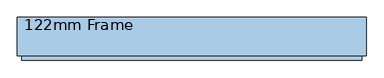
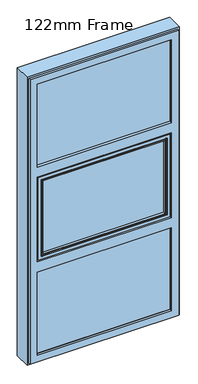
"""IFC4 building model written with IfcOpenShell, lengths in millimetres: window geometry, 122mm Frame."""

from ifc_helpers import new_model, si_unit, frame, origin, place, context, project, spatial, polyline, circle_curve, ellipse_curve, outline, extrude, source, transform, mapped, element, save
from ifc_brep_helpers import plane_surface, cylinder_surface, revolved_surface, advanced_brep


def window_122mm_frame_0fb36afe(model_context):
    return source(origin(), model_context, "Body", "SolidModel", [
        extrude(outline(polyline([(-452.6, -141.0), (-452.6, -93.0), (452.6, -93.0), (452.6, -141.0), (-452.6, -141.0)])), frame((0.0, 0.0, 847.4), z_axis=(0.0, 0.0, 1.0), x_axis=(1.0, 0.0, 0.0)), (0.0, 0.0, 1.0), 599.2666667),
        advanced_brep(
        [(-437.8697056, -91.0, 1432.9363723), (-437.8697056, -91.0, 862.1302944), (-440.9078547, -66.2562613, 859.0921453), (-440.9078547, -66.2562613, 1435.9745214), (-442.892947, -64.5, 857.107053), (-442.892947, -64.5, 1437.9596137), (437.8697056, -91.0, 862.1302944), (440.9078547, -66.2562613, 859.0921453), (-461.5, -91.0, 1456.5666667), (-461.5, -91.0, 838.5), (461.5, -91.0, 838.5), (461.5, -91.0, 1456.5666667), (437.8697056, -91.0, 1432.9363723), (-461.5, -82.0, 1456.5666667), (-461.5, -82.0, 838.5), (461.5, -82.0, 838.5), (-464.0, -82.0, 1459.0666667), (-464.0, -82.0, 836.0), (464.0, -82.0, 836.0), (464.0, -82.0, 1459.0666667), (461.5, -82.0, 1456.5666667), (-464.0, -64.5, 1459.0666667), (-464.0, -64.5, 836.0), (464.0, -64.5, 836.0), (464.0, -64.5, 1459.0666667), (442.892947, -64.5, 857.107053), (442.892947, -64.5, 1437.9596137), (440.9078547, -66.2562613, 1435.9745214)],
        [
            (0, 1),
            (1, 2),
            (2, 3),
            (3, 0),
            (2, 4, ellipse_curve(frame((-442.892947, -66.5, 857.107053), z_axis=(-0.7071067811865475, 0.0, 0.7071067811865475), x_axis=(0.7071067811865474, 0.0, 0.7071067811865476)), 2.8284271, 2.0)),
            (4, 5),
            (5, 3, ellipse_curve(frame((-442.892947, -66.5, 1437.9596137), z_axis=(-0.7071067811865475, 0.0, -0.7071067811865475), x_axis=(-0.7071067811865474, 0.0, 0.7071067811865476)), 2.8284271, 2.0)),
            (1, 6),
            (6, 7),
            (7, 2),
            (8, 9),
            (9, 10),
            (10, 11),
            (11, 8),
            (0, 12),
            (12, 6),
            (13, 14),
            (14, 9),
            (8, 13),
            (14, 15),
            (15, 10),
            (16, 17),
            (17, 18),
            (18, 19),
            (19, 16),
            (13, 20),
            (20, 15),
            (21, 22),
            (22, 17),
            (16, 21),
            (22, 23),
            (23, 18),
            (21, 24),
            (24, 23),
            (4, 25),
            (25, 26),
            (26, 5),
            (7, 25, ellipse_curve(frame((442.892947, -66.5, 857.107053), z_axis=(-0.7071067811865475, 0.0, -0.7071067811865475), x_axis=(-0.7071067811865476, 0.0, 0.7071067811865474)), 2.8284271, 2.0)),
            (12, 27),
            (27, 7),
            (20, 11),
            (24, 19),
            (27, 26, ellipse_curve(frame((442.892947, -66.5, 1437.9596137), z_axis=(0.7071067811865475, 0.0, -0.7071067811865475), x_axis=(-0.7071067811865474, 0.0, -0.7071067811865476)), 2.8284271, 2.0)),
            (3, 27),
        ],
        [
            plane_surface(frame((-440.9078547, -66.2562613, 1435.9745214), z_axis=(0.9925461516413219, 0.12186934340514886, 0.0), x_axis=(0.0, 0.0, -1.0))),
            cylinder_surface(frame((-442.892947, -66.5, 1432.6666667), z_axis=(0.0, 0.0, 1.0), x_axis=(0.0, -1.0, 0.0)), 2.0),
            plane_surface(frame((-440.9078547, -66.2562613, 859.0921453), z_axis=(0.0, 0.12186934340514886, 0.9925461516413219), x_axis=(1.0, 0.0, 0.0))),
            plane_surface(frame((437.8697056, -91.0, 1432.9363723), z_axis=(0.0, -1.0, 0.0), x_axis=(-1.0, 0.0, 0.0))),
            plane_surface(frame((-461.5, -91.0, 1456.5666667), z_axis=(-1.0, 0.0, 0.0), x_axis=(0.0, 0.0, -1.0))),
            plane_surface(frame((-461.5, -91.0, 838.5), z_axis=(0.0, 0.0, -1.0), x_axis=(1.0, 0.0, 0.0))),
            plane_surface(frame((461.5, -82.0, 1456.5666667), z_axis=(0.0, -1.0, 0.0), x_axis=(-1.0, 0.0, 0.0))),
            plane_surface(frame((-464.0, -82.0, 1459.0666667), z_axis=(-1.0, 0.0, 0.0), x_axis=(0.0, 0.0, -1.0))),
            plane_surface(frame((-464.0, -82.0, 836.0), z_axis=(0.0, 0.0, -1.0), x_axis=(1.0, 0.0, 0.0))),
            plane_surface(frame((464.0, -64.5, 1459.0666667), z_axis=(0.0, 1.0, 0.0), x_axis=(-1.0, 0.0, 0.0))),
            cylinder_surface(frame((-437.6, -66.5, 857.107053), z_axis=(-1.0, 0.0, 0.0), x_axis=(0.0, -1.0, 0.0)), 2.0),
            plane_surface(frame((440.9078547, -66.2562613, 859.0921453), z_axis=(-0.9925461516413219, 0.12186934340514886, 0.0), x_axis=(0.0, 0.0, 1.0))),
            plane_surface(frame((461.5, -91.0, 838.5), z_axis=(1.0, 0.0, 0.0), x_axis=(0.0, 0.0, 1.0))),
            plane_surface(frame((464.0, -82.0, 836.0), z_axis=(1.0, 0.0, 0.0), x_axis=(0.0, 0.0, 1.0))),
            cylinder_surface(frame((442.892947, -66.5, 862.4), z_axis=(0.0, 0.0, -1.0), x_axis=(0.0, -1.0, 0.0)), 2.0),
            plane_surface(frame((440.9078547, -66.2562613, 1435.9745214), z_axis=(0.0, 0.12186934340514886, -0.9925461516413219), x_axis=(-1.0, 0.0, 0.0))),
            plane_surface(frame((461.5, -91.0, 1456.5666667), z_axis=(0.0, 0.0, 1.0), x_axis=(-1.0, 0.0, 0.0))),
            plane_surface(frame((464.0, -82.0, 1459.0666667), z_axis=(0.0, 0.0, 1.0), x_axis=(-1.0, 0.0, 0.0))),
            cylinder_surface(frame((437.6, -66.5, 1437.9596137), z_axis=(1.0, 0.0, 0.0), x_axis=(0.0, -1.0, 0.0)), 2.0),
        ],
        [
            (0, [[1, 2, 3, 4]]),
            (1, [[-3, 5, 6, 7]]),
            (2, [[8, 9, 10, -2]]),
            (3, [[11, 12, 13, 14], [-1, 15, 16, -8]]),
            (4, [[17, 18, -11, 19]]),
            (5, [[20, 21, -12, -18]]),
            (6, [[22, 23, 24, 25], [-17, 26, 27, -20]]),
            (7, [[28, 29, -22, 30]]),
            (8, [[31, 32, -23, -29]]),
            (9, [[-28, 33, 34, -31], [-6, 35, 36, 37]]),
            (10, [[-10, 38, -35, -5]]),
            (11, [[-16, 39, 40, -9]]),
            (12, [[-27, 41, -13, -21]]),
            (13, [[-34, 42, -24, -32]]),
            (14, [[-40, 43, -36, -38]]),
            (15, [[-15, -4, 44, -39]]),
            (16, [[-26, -19, -14, -41]]),
            (17, [[-33, -30, -25, -42]]),
            (18, [[-44, -7, -37, -43]]),
        ],
    ),
        advanced_brep(
        [(-488.0, -90.5, 2788.0), (-488.0, -90.5, 2141.3333333), (-488.0, -86.5, 2141.3333333), (-488.0, -86.5, 2788.0), (-488.0, -32.0, 2788.0), (-488.0, -32.0, 812.0), (-488.0, -86.5, 812.0), (-488.0, -86.5, 1458.6666667), (-488.0, -90.5, 1458.6666667), (-488.0, -90.5, 812.0), (-488.0, -154.0, 812.0), (-488.0, -154.0, 2788.0), (-488.0, -90.5, 1482.6666667), (-488.0, -86.5, 1482.6666667), (-488.0, -86.5, 2117.3333333), (-488.0, -90.5, 2117.3333333), (488.0, -154.0, 2788.0), (488.0, -154.0, 812.0), (-441.2576108, -154.0, 858.7423892), (-441.2576108, -154.0, 1435.9242774), (441.2576108, -154.0, 1435.9242774), (441.2576108, -154.0, 858.7423892), (441.2576108, -154.0, 2741.2576108), (441.2576108, -154.0, 2164.0757226), (-441.2576108, -154.0, 2164.0757226), (-441.2576108, -154.0, 2741.2576108), (441.2576108, -154.0, 1505.4090559), (-441.2576108, -154.0, 1505.4090559), (-441.2576108, -154.0, 2094.5909441), (441.2576108, -154.0, 2094.5909441), (488.0, -90.5, 812.0), (-481.0, -90.5, 1458.6666667), (-481.0, -90.5, 819.0), (481.0, -90.5, 819.0), (481.0, -90.5, 1458.6666667), (488.0, -90.5, 1458.6666667), (488.0, -90.5, 2788.0), (488.0, -90.5, 2141.3333333), (481.0, -90.5, 2141.3333333), (481.0, -90.5, 2781.0), (-481.0, -90.5, 2781.0), (-481.0, -90.5, 2141.3333333), (-481.0, -90.5, 2117.3333333), (-481.0, -90.5, 1482.6666667), (481.0, -90.5, 1482.6666667), (481.0, -90.5, 2117.3333333), (488.0, -90.5, 2117.3333333), (488.0, -90.5, 1482.6666667), (-481.0, -86.5, 819.0), (-481.0, -86.5, 1458.6666667), (488.0, -86.5, 812.0), (488.0, -86.5, 1458.6666667), (481.0, -86.5, 1458.6666667), (481.0, -86.5, 819.0), (481.0, -86.5, 2781.0), (481.0, -86.5, 2141.3333333), (488.0, -86.5, 2141.3333333), (488.0, -86.5, 2788.0), (-481.0, -86.5, 2141.3333333), (-481.0, -86.5, 2781.0), (488.0, -86.5, 1482.6666667), (488.0, -86.5, 2117.3333333), (481.0, -86.5, 2117.3333333), (481.0, -86.5, 1482.6666667), (-481.0, -86.5, 1482.6666667), (-481.0, -86.5, 2117.3333333), (488.0, -32.0, 812.0), (488.0, -32.0, 2788.0), (467.0, -32.0, 833.0), (467.0, -32.0, 1458.6666667), (-467.0, -32.0, 1458.6666667), (-467.0, -32.0, 833.0), (-467.0, -32.0, 2767.0), (-467.0, -32.0, 2141.3333333), (467.0, -32.0, 2141.3333333), (467.0, -32.0, 2767.0), (-467.0, -32.0, 1482.6666667), (467.0, -32.0, 1482.6666667), (467.0, -32.0, 2117.3333333), (-467.0, -32.0, 2117.3333333), (-438.0131086, -143.3877115, 861.9868914), (438.0131086, -143.3877115, 861.9868914), (438.0131086, -142.0, 861.9868914), (-438.0131086, -142.0, 861.9868914), (-462.2226568, -142.0, 837.7773432), (-462.2226568, -142.0, 1456.7286793), (462.2226568, -142.0, 1456.7286793), (462.2226568, -142.0, 837.7773432), (438.0131086, -142.0, 1432.2555093), (-438.0131086, -142.0, 1432.2555093), (462.2226568, -142.0, 2762.2226568), (462.2226568, -142.0, 2143.2713207), (-462.2226568, -142.0, 2143.2713207), (-462.2226568, -142.0, 2762.2226568), (-438.0131086, -142.0, 2738.0131086), (-438.0131086, -142.0, 2167.7444907), (438.0131086, -142.0, 2167.7444907), (438.0131086, -142.0, 2738.0131086), (-462.2226568, -142.0, 1484.6046541), (-462.2226568, -142.0, 2115.3953459), (462.2226568, -142.0, 2115.3953459), (462.2226568, -142.0, 1484.6046541), (438.0131086, -142.0, 1509.0778241), (438.0131086, -142.0, 2090.9221759), (-438.0131086, -142.0, 2090.9221759), (-438.0131086, -142.0, 1509.0778241), (-438.0131086, -143.3877115, 1432.6797752), (-438.0131086, -143.3877115, 2738.0131086), (-438.0131086, -143.3877115, 2167.3202248), (-438.0131086, -143.3877115, 2091.3464419), (-438.0131086, -143.3877115, 1508.6535581), (438.0131086, -143.3877115, 1432.6797752), (438.0131086, -143.3877115, 2167.3202248), (438.0131086, -143.3877115, 2738.0131086), (438.0131086, -143.3877115, 1508.6535581), (438.0131086, -143.3877115, 2091.3464419), (455.7805994, -91.0, 844.2194006), (-455.7805994, -91.0, 844.2194006), (455.7805994, -91.0, 1450.4666667), (455.7805994, -91.0, 2755.7805994), (455.7805994, -91.0, 2149.5333333), (455.7805994, -91.0, 2109.1333333), (455.7805994, -91.0, 1490.8666667), (-455.7805994, -91.0, 1450.4666667), (-455.7805994, -91.0, 1490.8666667), (-455.7805994, -91.0, 2109.1333333), (-455.7805994, -91.0, 2149.5333333), (-455.7805994, -91.0, 2755.7805994), (-462.0, -91.0, 838.0), (-462.0, -91.0, 1458.6666667), (462.0, -91.0, 1458.6666667), (462.0, -91.0, 838.0), (462.0, -91.0, 2762.0), (462.0, -91.0, 2141.3333333), (-462.0, -91.0, 2141.3333333), (-462.0, -91.0, 2762.0), (-462.0, -91.0, 1482.6666667), (-462.0, -91.0, 2117.3333333), (462.0, -91.0, 2117.3333333), (462.0, -91.0, 1482.6666667), (462.0, -83.0, 838.0), (-462.0, -83.0, 838.0), (462.0, -83.0, 1458.6666667), (462.0, -83.0, 2762.0), (462.0, -83.0, 2141.3333333), (462.0, -83.0, 2117.3333333), (462.0, -83.0, 1482.6666667), (-462.0, -83.0, 1458.6666667), (-462.0, -83.0, 1482.6666667), (-462.0, -83.0, 2117.3333333), (-462.0, -83.0, 2141.3333333), (-462.0, -83.0, 2762.0), (464.0, -35.0, 836.0), (-464.0, -35.0, 836.0), (-464.0, -35.0, 1458.6666667), (-464.0, -35.0, 2764.0), (-464.0, -35.0, 2141.3333333), (-464.0, -35.0, 2117.3333333), (-464.0, -35.0, 1482.6666667), (464.0, -35.0, 1458.6666667), (464.0, -35.0, 2141.3333333), (464.0, -35.0, 2764.0), (464.0, -35.0, 1482.6666667), (464.0, -35.0, 2117.3333333), (-464.0, -83.0, 1458.6666667), (-464.0, -83.0, 836.0), (-464.0, -83.0, 2764.0), (-464.0, -83.0, 2141.3333333), (-464.0, -83.0, 2117.3333333), (-464.0, -83.0, 1482.6666667), (464.0, -83.0, 836.0), (464.0, -83.0, 1458.6666667), (464.0, -83.0, 2764.0), (464.0, -83.0, 2141.3333333), (464.0, -83.0, 2117.3333333), (464.0, -83.0, 1482.6666667)],
        [
            (0, 1),
            (1, 2),
            (2, 3),
            (3, 4),
            (4, 5),
            (5, 6),
            (6, 7),
            (7, 8),
            (8, 9),
            (9, 10),
            (10, 11),
            (11, 0),
            (12, 13),
            (13, 14),
            (14, 15),
            (15, 12),
            (16, 11),
            (10, 17),
            (17, 16),
            (18, 19),
            (19, 20),
            (20, 21),
            (21, 18),
            (22, 23),
            (23, 24),
            (24, 25),
            (25, 22),
            (26, 27),
            (27, 28),
            (28, 29),
            (29, 26),
            (9, 30),
            (30, 17),
            (8, 31),
            (31, 32),
            (32, 33),
            (33, 34),
            (34, 35),
            (35, 30),
            (36, 37),
            (37, 38),
            (38, 39),
            (39, 40),
            (40, 41),
            (41, 1),
            (0, 36),
            (15, 42),
            (42, 43),
            (43, 12),
            (44, 45),
            (45, 46),
            (46, 47),
            (47, 44),
            (48, 49),
            (49, 7),
            (6, 50),
            (50, 51),
            (51, 52),
            (52, 53),
            (53, 48),
            (54, 55),
            (55, 56),
            (56, 57),
            (57, 3),
            (2, 58),
            (58, 59),
            (59, 54),
            (60, 61),
            (61, 62),
            (62, 63),
            (63, 60),
            (64, 65),
            (65, 14),
            (13, 64),
            (66, 50),
            (5, 66),
            (4, 67),
            (67, 66),
            (68, 69),
            (69, 70),
            (70, 71),
            (71, 68),
            (72, 73),
            (73, 74),
            (74, 75),
            (75, 72),
            (76, 77),
            (77, 78),
            (78, 79),
            (79, 76),
            (35, 51),
            (67, 57),
            (56, 37),
            (36, 16),
            (60, 47),
            (46, 61),
            (80, 81),
            (81, 82),
            (82, 83),
            (83, 80),
            (84, 85),
            (85, 86),
            (86, 87),
            (87, 84),
            (82, 88),
            (88, 89),
            (89, 83),
            (90, 91),
            (91, 92),
            (92, 93),
            (93, 90),
            (94, 95),
            (95, 96),
            (96, 97),
            (97, 94),
            (98, 99),
            (99, 100),
            (100, 101),
            (101, 98),
            (102, 103),
            (103, 104),
            (104, 105),
            (105, 102),
            (89, 106),
            (106, 80),
            (107, 108),
            (108, 95),
            (94, 107),
            (104, 109),
            (109, 110),
            (110, 105),
            (81, 111),
            (111, 88),
            (96, 112),
            (112, 113),
            (113, 97),
            (114, 115),
            (115, 103),
            (102, 114),
            (87, 116),
            (116, 117),
            (117, 84),
            (86, 118),
            (118, 116),
            (119, 120),
            (120, 91),
            (90, 119),
            (100, 121),
            (121, 122),
            (122, 101),
            (117, 123),
            (123, 85),
            (124, 125),
            (125, 99),
            (98, 124),
            (92, 126),
            (126, 127),
            (127, 93),
            (128, 129),
            (129, 130),
            (130, 131),
            (131, 128),
            (118, 123),
            (132, 133),
            (133, 134),
            (134, 135),
            (135, 132),
            (119, 127),
            (126, 120),
            (136, 137),
            (137, 138),
            (138, 139),
            (139, 136),
            (121, 125),
            (124, 122),
            (131, 140),
            (140, 141),
            (141, 128),
            (130, 142),
            (142, 140),
            (143, 144),
            (144, 133),
            (132, 143),
            (138, 145),
            (145, 146),
            (146, 139),
            (141, 147),
            (147, 129),
            (148, 149),
            (149, 137),
            (136, 148),
            (134, 150),
            (150, 151),
            (151, 135),
            (152, 68, ellipse_curve(frame((467.0, -35.0, 833.0), z_axis=(-0.7071067811865475, 0.0, -0.7071067811865475), x_axis=(-0.7071067811865476, 0.0, 0.7071067811865474)), 4.2426407, 3.0)),
            (71, 153, ellipse_curve(frame((-467.0, -35.0, 833.0), z_axis=(0.7071067811865475, 0.0, -0.7071067811865475), x_axis=(-0.7071067811865476, 0.0, -0.7071067811865474)), 4.2426407, 3.0)),
            (153, 152),
            (70, 154, circle_curve(frame((-467.0, -35.0, 1458.6666667), z_axis=(0.0, 0.0, -1.0), x_axis=(0.0, -1.0, 0.0)), 3.0)),
            (154, 153),
            (155, 156),
            (156, 73, circle_curve(frame((-467.0, -35.0, 2141.3333333), z_axis=(0.0, 0.0, 1.0), x_axis=(0.0, -1.0, 0.0)), 3.0)),
            (72, 155, ellipse_curve(frame((-467.0, -35.0, 2767.0), z_axis=(-0.7071067811865475, 0.0, -0.7071067811865475), x_axis=(-0.7071067811865474, 0.0, 0.7071067811865476)), 4.2426407, 3.0)),
            (79, 157, circle_curve(frame((-467.0, -35.0, 2117.3333333), z_axis=(0.0, 0.0, -1.0), x_axis=(0.0, -1.0, 0.0)), 3.0)),
            (157, 158),
            (158, 76, circle_curve(frame((-467.0, -35.0, 1482.6666667), z_axis=(0.0, 0.0, 1.0), x_axis=(0.0, -1.0, 0.0)), 3.0)),
            (152, 159),
            (159, 69, circle_curve(frame((467.0, -35.0, 1458.6666667), z_axis=(0.0, 0.0, -1.0), x_axis=(0.0, -1.0, 0.0)), 3.0)),
            (74, 160, circle_curve(frame((467.0, -35.0, 2141.3333333), z_axis=(0.0, 0.0, 1.0), x_axis=(0.0, -1.0, 0.0)), 3.0)),
            (160, 161),
            (161, 75, ellipse_curve(frame((467.0, -35.0, 2767.0), z_axis=(0.7071067811865475, 0.0, -0.7071067811865475), x_axis=(-0.7071067811865474, 0.0, -0.7071067811865476)), 4.2426407, 3.0)),
            (162, 163),
            (163, 78, circle_curve(frame((467.0, -35.0, 2117.3333333), z_axis=(0.0, 0.0, -1.0), x_axis=(0.0, -1.0, 0.0)), 3.0)),
            (77, 162, circle_curve(frame((467.0, -35.0, 1482.6666667), z_axis=(0.0, 0.0, 1.0), x_axis=(0.0, -1.0, 0.0)), 3.0)),
            (21, 81),
            (80, 18),
            (20, 111),
            (112, 23),
            (22, 113),
            (29, 115),
            (114, 26),
            (106, 19),
            (24, 108),
            (107, 25),
            (109, 28),
            (27, 110),
            (154, 164),
            (164, 165),
            (165, 153),
            (166, 167),
            (167, 156),
            (155, 166),
            (157, 168),
            (168, 169),
            (169, 158),
            (165, 170),
            (170, 152),
            (164, 147),
            (142, 171),
            (171, 170),
            (172, 173),
            (173, 144),
            (143, 151),
            (150, 167),
            (166, 172),
            (168, 149),
            (148, 169),
            (145, 174),
            (174, 175),
            (175, 146),
            (171, 159),
            (160, 173),
            (172, 161),
            (174, 163),
            (162, 175),
            (31, 49),
            (48, 32),
            (58, 41),
            (40, 59),
            (42, 65),
            (64, 43),
            (53, 33),
            (52, 34),
            (38, 55),
            (54, 39),
            (62, 45),
            (44, 63),
            (113, 107),
            (161, 155),
        ],
        [
            plane_surface(frame((-488.0, -154.0, 1435.9242774), z_axis=(-1.0, 0.0, 0.0), x_axis=(0.0, 0.956304755963276, -0.2923717047219502))),
            plane_surface(frame((-488.0, -154.0, 1505.4090559), z_axis=(0.0, -1.0, 0.0), x_axis=(1.0, 0.0, 0.0))),
            plane_surface(frame((-488.0, -154.0, 812.0), z_axis=(0.0, 0.0, -1.0), x_axis=(1.0, 0.0, 0.0))),
            plane_surface(frame((488.0, -90.5, 2788.0), z_axis=(0.0, 1.0, 0.0), x_axis=(-1.0, 0.0, 0.0))),
            plane_surface(frame((481.0, -86.5, 2781.0), z_axis=(0.0, -1.0, 0.0), x_axis=(-1.0, 0.0, 0.0))),
            plane_surface(frame((-488.0, -86.5, 812.0), z_axis=(0.0, 0.0, -1.0), x_axis=(1.0, 0.0, 0.0))),
            plane_surface(frame((-488.0, -32.0, 1458.6666667), z_axis=(0.0, 1.0, 0.0), x_axis=(1.0, 0.0, 0.0))),
            plane_surface(frame((488.0, -154.0, 1435.9242774), z_axis=(1.0, 0.0, 0.0), x_axis=(0.0, -0.956304755963276, 0.2923717047219502))),
            plane_surface(frame((-438.0131086, -142.0, 861.9868914), z_axis=(0.0, 0.0, 1.0), x_axis=(1.0, 0.0, 0.0))),
            plane_surface(frame((-488.0, -142.0, 1432.2555093), z_axis=(0.0, 1.0, 0.0), x_axis=(1.0, 0.0, 0.0))),
            plane_surface(frame((-438.0131086, -142.0, 2738.0131086), z_axis=(1.0, 0.0, 0.0), x_axis=(0.0, 0.0, -1.0))),
            plane_surface(frame((438.0131086, -142.0, 861.9868914), z_axis=(-1.0, 0.0, 0.0), x_axis=(0.0, 0.0, 1.0))),
            plane_surface(frame((-455.7805994, -91.0, 844.2194006), z_axis=(0.0, -0.1253190461918616, 0.992116493493361), x_axis=(1.0, 0.0, 0.0))),
            plane_surface(frame((455.7805994, -91.0, 844.2194006), z_axis=(-0.992116493493361, -0.1253190461918616, 0.0), x_axis=(0.0, 0.0, 1.0))),
            plane_surface(frame((-455.7805994, -91.0, 2755.7805994), z_axis=(0.992116493493361, -0.1253190461918616, 0.0), x_axis=(0.0, 0.0, -1.0))),
            plane_surface(frame((-488.0, -91.0, 1450.4666667), z_axis=(0.0, 1.0, 0.0), x_axis=(1.0, 0.0, 0.0))),
            plane_surface(frame((-462.0, -83.0, 838.0), z_axis=(0.0, 0.0, 1.0), x_axis=(1.0, 0.0, 0.0))),
            plane_surface(frame((462.0, -83.0, 838.0), z_axis=(-1.0, 0.0, 0.0), x_axis=(0.0, 0.0, 1.0))),
            plane_surface(frame((-462.0, -83.0, 2762.0), z_axis=(1.0, 0.0, 0.0), x_axis=(0.0, 0.0, -1.0))),
            cylinder_surface(frame((-488.0, -35.0, 833.0), z_axis=(-1.0, 0.0, 0.0), x_axis=(0.0, -1.0, 0.0)), 3.0),
            cylinder_surface(frame((-467.0, -35.0, 2788.0), z_axis=(0.0, 0.0, 1.0), x_axis=(0.0, -1.0, 0.0)), 3.0),
            cylinder_surface(frame((467.0, -35.0, 812.0), z_axis=(0.0, 0.0, -1.0), x_axis=(0.0, -1.0, 0.0)), 3.0),
            plane_surface(frame((-438.0131086, -143.3877115, 861.9868914), z_axis=(0.0, -0.29237170472308205, 0.95630475596293), x_axis=(1.0, 0.0, 0.0))),
            plane_surface(frame((438.0131086, -143.3877115, 861.9868914), z_axis=(-0.95630475596293, -0.29237170472308205, 0.0), x_axis=(0.0, 0.0, 1.0))),
            plane_surface(frame((-438.0131086, -143.3877115, 2738.0131086), z_axis=(0.95630475596293, -0.29237170472308205, 0.0), x_axis=(0.0, 0.0, -1.0))),
            plane_surface(frame((-464.0, -35.0, 2764.0), z_axis=(1.0, 0.0, 0.0), x_axis=(0.0, 0.0, -1.0))),
            plane_surface(frame((-464.0, -35.0, 836.0), z_axis=(0.0, 0.0, 1.0), x_axis=(1.0, 0.0, 0.0))),
            plane_surface(frame((464.0, -83.0, 2764.0), z_axis=(0.0, 1.0, 0.0), x_axis=(-1.0, 0.0, 0.0))),
            plane_surface(frame((464.0, -35.0, 836.0), z_axis=(-1.0, 0.0, 0.0), x_axis=(0.0, 0.0, 1.0))),
            plane_surface(frame((-481.0, -90.5, 2781.0), z_axis=(-1.0, 0.0, 0.0), x_axis=(0.0, 0.0, -1.0))),
            plane_surface(frame((-481.0, -90.5, 819.0), z_axis=(0.0, 0.0, -1.0), x_axis=(1.0, 0.0, 0.0))),
            plane_surface(frame((481.0, -90.5, 819.0), z_axis=(1.0, 0.0, 0.0), x_axis=(0.0, 0.0, 1.0))),
            plane_surface(frame((488.0, -154.0, 2788.0), z_axis=(0.0, 0.0, 1.0), x_axis=(-1.0, 0.0, 0.0))),
            plane_surface(frame((488.0, -86.5, 2788.0), z_axis=(0.0, 0.0, 1.0), x_axis=(-1.0, 0.0, 0.0))),
            plane_surface(frame((438.0131086, -142.0, 2738.0131086), z_axis=(0.0, 0.0, -1.0), x_axis=(-1.0, 0.0, 0.0))),
            plane_surface(frame((455.7805994, -91.0, 2755.7805994), z_axis=(0.0, -0.1253190461918616, -0.992116493493361), x_axis=(-1.0, 0.0, 0.0))),
            plane_surface(frame((462.0, -83.0, 2762.0), z_axis=(0.0, 0.0, -1.0), x_axis=(-1.0, 0.0, 0.0))),
            cylinder_surface(frame((488.0, -35.0, 2767.0), z_axis=(1.0, 0.0, 0.0), x_axis=(0.0, -1.0, 0.0)), 3.0),
            plane_surface(frame((438.0131086, -143.3877115, 2738.0131086), z_axis=(0.0, -0.29237170472308205, -0.95630475596293), x_axis=(-1.0, 0.0, 0.0))),
            plane_surface(frame((464.0, -35.0, 2764.0), z_axis=(0.0, 0.0, -1.0), x_axis=(-1.0, 0.0, 0.0))),
            plane_surface(frame((481.0, -90.5, 2781.0), z_axis=(0.0, 0.0, 1.0), x_axis=(-1.0, 0.0, 0.0))),
            plane_surface(frame((-488.0, -154.0, 1435.9242774), z_axis=(0.0, -0.2923717047219502, -0.956304755963276), x_axis=(1.0, 0.0, 0.0))),
            plane_surface(frame((-488.0, -142.0, 1456.7286793), z_axis=(0.0, -0.12186934340530745, -0.9925461516413024), x_axis=(1.0, 0.0, 0.0))),
            plane_surface(frame((-488.0, -91.0, 1458.6666667), z_axis=(0.0, 0.0, -1.0), x_axis=(1.0, 0.0, 0.0))),
            plane_surface(frame((-488.0, -32.0, 1482.6666667), z_axis=(0.0, 0.0, 1.0), x_axis=(1.0, 0.0, 0.0))),
            plane_surface(frame((-488.0, -91.0, 1490.8666667), z_axis=(0.0, -0.12186934340536838, 0.992546151641295), x_axis=(1.0, 0.0, 0.0))),
            plane_surface(frame((-488.0, -142.0, 1509.0778241), z_axis=(0.0, -0.29237170472196145, 0.9563047559632726), x_axis=(1.0, 0.0, 0.0))),
            plane_surface(frame((-488.0, -154.0, 2094.5909441), z_axis=(0.0, -0.29237170471972357, -0.9563047559639568), x_axis=(1.0, 0.0, 0.0))),
            plane_surface(frame((-488.0, -142.0, 2115.3953459), z_axis=(0.0, -0.12186934340533068, -0.9925461516412996), x_axis=(1.0, 0.0, 0.0))),
            plane_surface(frame((-488.0, -91.0, 2117.3333333), z_axis=(0.0, 0.0, -1.0), x_axis=(1.0, 0.0, 0.0))),
            plane_surface(frame((-488.0, -32.0, 2141.3333333), z_axis=(0.0, 0.0, 1.0), x_axis=(1.0, 0.0, 0.0))),
            plane_surface(frame((-488.0, -91.0, 2149.5333333), z_axis=(0.0, -0.12186934340548272, 0.9925461516412809), x_axis=(1.0, 0.0, 0.0))),
            plane_surface(frame((-488.0, -142.0, 2167.7444907), z_axis=(0.0, -0.29237170471975826, 0.9563047559639462), x_axis=(1.0, 0.0, 0.0))),
        ],
        [
            (0, [[1, 2, 3, 4, 5, 6, 7, 8, 9, 10, 11, 12], [13, 14, 15, 16]]),
            (1, [[17, -11, 18, 19], [20, 21, 22, 23], [24, 25, 26, 27], [28, 29, 30, 31]]),
            (2, [[32, 33, -18, -10]]),
            (3, [[-9, 34, 35, 36, 37, 38, 39, -32]]),
            (3, [[40, 41, 42, 43, 44, 45, -1, 46]]),
            (3, [[-16, 47, 48, 49]]),
            (3, [[50, 51, 52, 53]]),
            (4, [[54, 55, -7, 56, 57, 58, 59, 60]]),
            (4, [[61, 62, 63, 64, -3, 65, 66, 67]]),
            (4, [[68, 69, 70, 71]]),
            (4, [[72, 73, -14, 74]]),
            (5, [[75, -56, -6, 76]]),
            (6, [[77, 78, -76, -5], [79, 80, 81, 82], [83, 84, 85, 86], [87, 88, 89, 90]]),
            (7, [[-39, 91, -57, -75, -78, 92, -63, 93, -40, 94, -19, -33], [95, -52, 96, -68]]),
            (8, [[97, 98, 99, 100]]),
            (9, [[101, 102, 103, 104], [105, 106, 107, -99]]),
            (9, [[108, 109, 110, 111], [112, 113, 114, 115]]),
            (9, [[116, 117, 118, 119], [120, 121, 122, 123]]),
            (10, [[-107, 124, 125, -100]]),
            (10, [[126, 127, -112, 128]]),
            (10, [[-122, 129, 130, 131]]),
            (11, [[132, 133, -105, -98]]),
            (11, [[-114, 134, 135, 136]]),
            (11, [[137, 138, -120, 139]]),
            (12, [[140, 141, 142, -104]]),
            (13, [[-103, 143, 144, -140]]),
            (13, [[145, 146, -108, 147]]),
            (13, [[148, 149, 150, -118]]),
            (14, [[151, 152, -101, -142]]),
            (14, [[153, 154, -116, 155]]),
            (14, [[156, 157, 158, -110]]),
            (15, [[159, 160, 161, 162], [-144, 163, -151, -141]]),
            (15, [[164, 165, 166, 167], [168, -157, 169, -145]]),
            (15, [[170, 171, 172, 173], [-149, 174, -153, 175]]),
            (16, [[-162, 176, 177, 178]]),
            (17, [[-161, 179, 180, -176]]),
            (17, [[181, 182, -164, 183]]),
            (17, [[184, 185, 186, -172]]),
            (18, [[187, 188, -159, -178]]),
            (18, [[189, 190, -170, 191]]),
            (18, [[192, 193, 194, -166]]),
            (19, [[195, -82, 196, 197]]),
            (20, [[-81, 198, 199, -196]]),
            (20, [[200, 201, -83, 202]]),
            (20, [[-90, 203, 204, 205]]),
            (21, [[206, 207, -79, -195]]),
            (21, [[-85, 208, 209, 210]]),
            (21, [[211, 212, -88, 213]]),
            (22, [[-23, 214, -97, 215]]),
            (23, [[-22, 216, -132, -214]]),
            (23, [[-135, 217, -24, 218]]),
            (23, [[-31, 219, -137, 220]]),
            (24, [[-125, 221, -20, -215]]),
            (24, [[-26, 222, -126, 223]]),
            (24, [[-130, 224, -29, 225]]),
            (25, [[-199, 226, 227, 228]]),
            (25, [[229, 230, -200, 231]]),
            (25, [[-204, 232, 233, 234]]),
            (26, [[235, 236, -197, -228]]),
            (27, [[-227, 237, -187, -177, -180, 238, 239, -235]]),
            (27, [[240, 241, -181, 242, -193, 243, -229, 244]]),
            (27, [[-233, 245, -189, 246]]),
            (27, [[-185, 247, 248, 249]]),
            (28, [[-239, 250, -206, -236]]),
            (28, [[-209, 251, -240, 252]]),
            (28, [[-248, 253, -211, 254]]),
            (29, [[-35, 255, -54, 256]]),
            (29, [[-66, 257, -44, 258]]),
            (29, [[-48, 259, -72, 260]]),
            (30, [[-60, 261, -36, -256]]),
            (31, [[-59, 262, -37, -261]]),
            (31, [[-42, 263, -61, 264]]),
            (31, [[-70, 265, -50, 266]]),
            (32, [[-17, -94, -46, -12]]),
            (33, [[-4, -64, -92, -77]]),
            (34, [[-115, -136, 267, -128]]),
            (35, [[-158, -168, -147, -111]]),
            (36, [[-242, -183, -167, -194]]),
            (37, [[-202, -86, -210, 268]]),
            (38, [[-267, -218, -27, -223]]),
            (39, [[-268, -252, -244, -231]]),
            (40, [[-43, -264, -67, -258]]),
            (41, [[-221, -124, -106, -133, -216, -21]]),
            (42, [[-143, -102, -152, -163]]),
            (43, [[-55, -255, -34, -8]]),
            (43, [[-38, -262, -58, -91]]),
            (43, [[-207, -250, -238, -179, -160, -188, -237, -226, -198, -80]]),
            (44, [[-49, -260, -74, -13]]),
            (44, [[-71, -266, -53, -95]]),
            (44, [[-205, -234, -246, -191, -173, -186, -249, -254, -213, -87]]),
            (45, [[-155, -119, -150, -175]]),
            (46, [[-131, -225, -28, -220, -139, -123]]),
            (47, [[-224, -129, -121, -138, -219, -30]]),
            (48, [[-154, -174, -148, -117]]),
            (49, [[-51, -265, -69, -96]]),
            (49, [[-73, -259, -47, -15]]),
            (49, [[-212, -253, -247, -184, -171, -190, -245, -232, -203, -89]]),
            (50, [[-45, -257, -65, -2]]),
            (50, [[-62, -263, -41, -93]]),
            (50, [[-201, -230, -243, -192, -165, -182, -241, -251, -208, -84]]),
            (51, [[-146, -169, -156, -109]]),
            (52, [[-217, -134, -113, -127, -222, -25]]),
        ],
    ),
        extrude(outline(polyline([(2800.0, -500.0), (800.0, -500.0), (800.0, 500.0), (2800.0, 500.0), (2800.0, -500.0)]), holes=[polyline([(2788.0, 488.0), (812.0, 488.0), (812.0, -488.0), (2788.0, -488.0), (2788.0, 488.0)])]), frame((0.0, -141.0, 0.0), z_axis=(0.0, 1.0, 0.0), x_axis=(0.0, 0.0, 1.0)), (0.0, 0.0, 1.0), 109.0),
        extrude(outline(polyline([(-452.6, -141.0), (-452.6, -93.0), (452.6, -93.0), (452.6, -141.0), (-452.6, -141.0)])), frame((0.0, 0.0, 1494.6666667), z_axis=(0.0, 0.0, 1.0), x_axis=(1.0, 0.0, 0.0)), (0.0, 0.0, 1.0), 610.6666667),
        advanced_brep(
        [(-431.9998467, -148.4070391, 2085.73318), (-431.9998467, -148.4070391, 1514.26682), (-431.9998467, -153.0, 1514.26682), (-431.9998467, -153.0, 2085.73318), (-437.2739389, -139.5531262, 2091.0072722), (-437.2739389, -139.5531262, 1508.9927278), (-439.1133955, -121.0, 2092.8467289), (-439.1133955, -121.0, 1507.1532711), (-439.1133955, -139.5531262, 1507.1532711), (-439.1133955, -139.5531262, 2092.8467289), (-449.1133955, -88.5, 2102.8467289), (-449.1133955, -88.5, 1497.1532711), (-449.1133955, -121.0, 1497.1532711), (-449.1133955, -121.0, 2102.8467289), (-459.8977, -83.5, 2113.6310333), (-459.8977, -83.5, 1486.3689667), (-459.8977, -88.5, 1486.3689667), (-459.8977, -88.5, 2113.6310333), (-453.1, -78.0, 2106.8333333), (-453.1, -78.0, 1493.1666667), (-453.1, -83.5, 1493.1666667), (-453.1, -83.5, 2106.8333333), (-395.6003067, -88.8934531, 2049.33364), (-395.6003067, -88.8934531, 1550.66636), (-397.9157816, -78.0, 1548.3508851), (-397.9157816, -78.0, 2051.6491149), (-395.6003067, -93.0, 2049.33364), (-395.6003067, -93.0, 1550.66636), (-409.6, -141.0, 2063.3333333), (-409.6, -141.0, 1536.6666667), (-409.6, -93.0, 1536.6666667), (-409.6, -93.0, 2063.3333333), (-398.8566168, -153.0, 2052.5899501), (-398.8566168, -153.0, 1547.4100499), (-395.1878486, -141.0, 1551.0788181), (-395.1878486, -141.0, 2048.9211819), (-406.9339425, -152.25, 2060.6672758), (-406.9339425, -152.25, 1539.3327242), (-405.6349044, -153.0, 1540.6317623), (-405.6349044, -153.0, 2059.3682377), (-411.2640695, -152.25, 2064.9974028), (-411.2640695, -152.25, 1535.0025972), (-412.5631076, -153.0, 2066.2964409), (-412.5631076, -153.0, 1533.7035591), (431.9998467, -148.4070391, 1514.26682), (431.9998467, -153.0, 1514.26682), (437.2739389, -139.5531262, 1508.9927278), (439.1133955, -121.0, 1507.1532711), (439.1133955, -139.5531262, 1507.1532711), (449.1133955, -88.5, 1497.1532711), (449.1133955, -121.0, 1497.1532711), (459.8976999, -83.5, 1486.3689667), (459.8976999, -88.5, 1486.3689667), (453.1, -78.0, 1493.1666667), (453.1, -83.5, 1493.1666667), (395.6003067, -88.8934531, 1550.66636), (397.9157816, -78.0, 1548.3508851), (395.6003067, -93.0, 1550.66636), (409.6, -141.0, 1536.6666667), (409.6, -93.0, 1536.6666667), (398.8566168, -153.0, 1547.4100499), (395.1878486, -141.0, 1551.0788181), (406.9339425, -152.25, 1539.3327242), (405.6349044, -153.0, 1540.6317623), (411.2640695, -152.25, 1535.0025972), (412.5631076, -153.0, 1533.7035591), (431.9998467, -148.4070391, 2085.73318), (431.9998467, -153.0, 2085.73318), (437.2739389, -139.5531262, 2091.0072722), (439.1133955, -121.0, 2092.8467289), (439.1133955, -139.5531262, 2092.8467289), (449.1133955, -88.5, 2102.8467289), (449.1133955, -121.0, 2102.8467289), (459.8976999, -83.5, 2113.6310333), (459.8976999, -88.5, 2113.6310333), (453.1, -78.0, 2106.8333333), (453.1, -83.5, 2106.8333333), (395.6003067, -88.8934531, 2049.33364), (397.9157816, -78.0, 2051.6491149), (395.6003067, -93.0, 2049.33364), (409.6, -141.0, 2063.3333333), (409.6, -93.0, 2063.3333333), (398.8566168, -153.0, 2052.5899501), (395.1878486, -141.0, 2048.9211819), (406.9339425, -152.25, 2060.6672758), (405.6349044, -153.0, 2059.3682377), (411.2640695, -152.25, 2064.9974028), (412.5631076, -153.0, 2066.2964409)],
        [
            (0, 1),
            (1, 2),
            (2, 3),
            (3, 0),
            (4, 5),
            (5, 1),
            (0, 4),
            (6, 7),
            (7, 8),
            (8, 9),
            (9, 6),
            (10, 11),
            (11, 12),
            (12, 13),
            (13, 10),
            (14, 15),
            (15, 16),
            (16, 17),
            (17, 14),
            (18, 19),
            (19, 20),
            (20, 21),
            (21, 18),
            (22, 23),
            (23, 24),
            (24, 25),
            (25, 22),
            (26, 27),
            (27, 23),
            (22, 26),
            (28, 29),
            (29, 30),
            (30, 31),
            (31, 28),
            (32, 33),
            (33, 34),
            (34, 35),
            (35, 32),
            (36, 37),
            (37, 38, ellipse_curve(frame((-405.6349044, -151.5, 1540.6317623), z_axis=(-0.7071067811865475, 0.0, 0.7071067811865475), x_axis=(0.7071067811865474, 0.0, 0.7071067811865476)), 2.1213203, 1.5)),
            (38, 39),
            (39, 36, ellipse_curve(frame((-405.6349044, -151.5, 2059.3682377), z_axis=(-0.7071067811865475, 0.0, -0.7071067811865475), x_axis=(-0.7071067811865474, 0.0, 0.7071067811865476)), 2.1213203, 1.5)),
            (40, 41),
            (41, 37, ellipse_curve(frame((-409.099006, -153.5, 1537.1676607), z_axis=(0.7071067811865475, 0.0, -0.7071067811865475), x_axis=(-0.7071067811865474, 0.0, -0.7071067811865476)), 3.5355339, 2.5)),
            (36, 40, ellipse_curve(frame((-409.099006, -153.5, 2062.8323393), z_axis=(0.7071067811865475, 0.0, 0.7071067811865475), x_axis=(0.7071067811865474, 0.0, -0.7071067811865476)), 3.5355339, 2.5)),
            (42, 43),
            (43, 41, ellipse_curve(frame((-412.5631076, -151.5, 1533.7035591), z_axis=(-0.7071067811865475, 0.0, 0.7071067811865475), x_axis=(0.7071067811865474, 0.0, 0.7071067811865476)), 2.1213203, 1.5)),
            (40, 42, ellipse_curve(frame((-412.5631076, -151.5, 2066.2964409), z_axis=(-0.7071067811865475, 0.0, -0.7071067811865475), x_axis=(-0.7071067811865474, 0.0, 0.7071067811865476)), 2.1213203, 1.5)),
            (1, 44),
            (44, 45),
            (45, 2),
            (5, 46),
            (46, 44),
            (7, 47),
            (47, 48),
            (48, 8),
            (11, 49),
            (49, 50),
            (50, 12),
            (15, 51),
            (51, 52),
            (52, 16),
            (19, 53),
            (53, 54),
            (54, 20),
            (23, 55),
            (55, 56),
            (56, 24),
            (27, 57),
            (57, 55),
            (29, 58),
            (58, 59),
            (59, 30),
            (33, 60),
            (60, 61),
            (61, 34),
            (37, 62),
            (62, 63, ellipse_curve(frame((405.6349044, -151.5, 1540.6317623), z_axis=(-0.7071067811865475, 0.0, -0.7071067811865475), x_axis=(-0.7071067811865476, 0.0, 0.7071067811865474)), 2.1213203, 1.5)),
            (63, 38),
            (41, 64),
            (64, 62, ellipse_curve(frame((409.099006, -153.5, 1537.1676607), z_axis=(0.7071067811865475, 0.0, 0.7071067811865475), x_axis=(0.7071067811865476, 0.0, -0.7071067811865474)), 3.5355339, 2.5)),
            (43, 65),
            (65, 64, ellipse_curve(frame((412.5631076, -151.5, 1533.7035591), z_axis=(-0.7071067811865475, 0.0, -0.7071067811865475), x_axis=(-0.7071067811865476, 0.0, 0.7071067811865474)), 2.1213203, 1.5)),
            (44, 66),
            (66, 67),
            (67, 45),
            (46, 68),
            (68, 66),
            (47, 69),
            (69, 70),
            (70, 48),
            (49, 71),
            (71, 72),
            (72, 50),
            (51, 73),
            (73, 74),
            (74, 52),
            (53, 75),
            (75, 76),
            (76, 54),
            (55, 77),
            (77, 78),
            (78, 56),
            (57, 79),
            (79, 77),
            (58, 80),
            (80, 81),
            (81, 59),
            (60, 82),
            (82, 83),
            (83, 61),
            (62, 84),
            (84, 85, ellipse_curve(frame((405.6349044, -151.5, 2059.3682377), z_axis=(0.7071067811865475, 0.0, -0.7071067811865475), x_axis=(-0.7071067811865474, 0.0, -0.7071067811865476)), 2.1213203, 1.5)),
            (85, 63),
            (64, 86),
            (86, 84, ellipse_curve(frame((409.099006, -153.5, 2062.8323393), z_axis=(-0.7071067811865475, 0.0, 0.7071067811865475), x_axis=(0.7071067811865474, 0.0, 0.7071067811865476)), 3.5355339, 2.5)),
            (65, 87),
            (87, 86, ellipse_curve(frame((412.5631076, -151.5, 2066.2964409), z_axis=(0.7071067811865475, 0.0, -0.7071067811865475), x_axis=(-0.7071067811865474, 0.0, -0.7071067811865476)), 2.1213203, 1.5)),
            (67, 3),
            (42, 87),
            (66, 0),
            (68, 4),
            (70, 9),
            (69, 6),
            (72, 13),
            (71, 10),
            (74, 17),
            (73, 14),
            (76, 21),
            (75, 18),
            (78, 25),
            (77, 22),
            (79, 26),
            (81, 31),
            (80, 28),
            (83, 35),
            (82, 32),
            (85, 39),
            (84, 36),
            (86, 40),
        ],
        [
            plane_surface(frame((-431.9998467, -153.0, 2085.73318), z_axis=(-1.0, 0.0, 0.0), x_axis=(0.0, 0.0, -1.0))),
            plane_surface(frame((-431.9998467, -148.4070391, 2085.73318), z_axis=(-0.8591262587254928, -0.5117636872310675, 0.0), x_axis=(0.0, 0.0, -1.0))),
            plane_surface(frame((-439.1133955, -139.5531262, 2092.8467289), z_axis=(-1.0, 0.0, 0.0), x_axis=(0.0, 0.0, -1.0))),
            plane_surface(frame((-449.1133955, -121.0, 2102.8467289), z_axis=(-1.0, 0.0, 0.0), x_axis=(0.0, 0.0, -1.0))),
            plane_surface(frame((-459.8977, -88.5, 2113.6310333), z_axis=(-1.0, 0.0, 0.0), x_axis=(0.0, 0.0, -1.0))),
            plane_surface(frame((-453.1, -83.5, 2106.8333333), z_axis=(-1.0, 0.0, 0.0), x_axis=(0.0, 0.0, -1.0))),
            plane_surface(frame((-397.9157816, -78.0, 2051.6491149), z_axis=(0.9781476007338084, 0.20791169081774669, 0.0), x_axis=(0.0, 0.0, -1.0))),
            plane_surface(frame((-395.6003067, -88.8934531, 2049.33364), z_axis=(1.0, 0.0, 0.0), x_axis=(0.0, 0.0, -1.0))),
            plane_surface(frame((-409.6, -93.0, 2063.3333333), z_axis=(1.0, 0.0, 0.0), x_axis=(0.0, 0.0, -1.0))),
            plane_surface(frame((-395.1878486, -141.0, 2048.9211819), z_axis=(0.9563047559629948, -0.2923717047228699, 0.0), x_axis=(0.0, 0.0, -1.0))),
            cylinder_surface(frame((-405.6349044, -151.5, 2091.3333333), z_axis=(0.0, 0.0, 1.0), x_axis=(0.0, -1.0, 0.0)), 1.5),
            revolved_surface(polyline([(-409.099006, -156.0, 1534.667660704195), (-409.099006, -156.0, 2065.332339295805)]), (-409.099006, -153.5, 2091.3333333), (0.0, 0.0, -1.0)),
            cylinder_surface(frame((-412.5631076, -151.5, 2091.3333333), z_axis=(0.0, 0.0, 1.0), x_axis=(0.0, -1.0, 0.0)), 1.5),
            plane_surface(frame((-431.9998467, -153.0, 1514.26682), z_axis=(0.0, 0.0, -1.0), x_axis=(1.0, 0.0, 0.0))),
            plane_surface(frame((-431.9998467, -148.4070391, 1514.26682), z_axis=(0.0, -0.5117636872310675, -0.8591262587254928), x_axis=(1.0, 0.0, 0.0))),
            plane_surface(frame((-439.1133955, -139.5531262, 1507.1532711), z_axis=(0.0, 0.0, -1.0), x_axis=(1.0, 0.0, 0.0))),
            plane_surface(frame((-449.1133955, -121.0, 1497.1532711), z_axis=(0.0, 0.0, -1.0), x_axis=(1.0, 0.0, 0.0))),
            plane_surface(frame((-459.8977, -88.5, 1486.3689667), z_axis=(0.0, 0.0, -1.0), x_axis=(1.0, 0.0, 0.0))),
            plane_surface(frame((-453.1, -83.5, 1493.1666667), z_axis=(0.0, 0.0, -1.0), x_axis=(1.0, 0.0, 0.0))),
            plane_surface(frame((-397.9157816, -78.0, 1548.3508851), z_axis=(0.0, 0.20791169081774669, 0.9781476007338084), x_axis=(1.0, 0.0, 0.0))),
            plane_surface(frame((-395.6003067, -88.8934531, 1550.66636), z_axis=(0.0, 0.0, 1.0), x_axis=(1.0, 0.0, 0.0))),
            plane_surface(frame((-409.6, -93.0, 1536.6666667), z_axis=(0.0, 0.0, 1.0), x_axis=(1.0, 0.0, 0.0))),
            plane_surface(frame((-395.1878486, -141.0, 1551.0788181), z_axis=(0.0, -0.2923717047228699, 0.9563047559629948), x_axis=(1.0, 0.0, 0.0))),
            cylinder_surface(frame((-437.6, -151.5, 1540.6317623), z_axis=(-1.0, 0.0, 0.0), x_axis=(0.0, -1.0, 0.0)), 1.5),
            revolved_surface(polyline([(411.599005995805, -156.0, 1537.1676607), (-411.5990059958049, -156.0, 1537.1676607)]), (-437.6, -153.5, 1537.1676607), (1.0, 0.0, 0.0)),
            cylinder_surface(frame((-437.6, -151.5, 1533.7035591), z_axis=(-1.0, 0.0, 0.0), x_axis=(0.0, -1.0, 0.0)), 1.5),
            plane_surface(frame((431.9998467, -153.0, 1514.26682), z_axis=(1.0, 0.0, 0.0), x_axis=(0.0, 0.0, 1.0))),
            plane_surface(frame((431.9998467, -148.4070391, 1514.26682), z_axis=(0.8591262587254928, -0.5117636872310675, 0.0), x_axis=(0.0, 0.0, 1.0))),
            plane_surface(frame((439.1133955, -139.5531262, 1507.1532711), z_axis=(1.0, 0.0, 0.0), x_axis=(0.0, 0.0, 1.0))),
            plane_surface(frame((449.1133955, -121.0, 1497.1532711), z_axis=(1.0, 0.0, 0.0), x_axis=(0.0, 0.0, 1.0))),
            plane_surface(frame((459.8976999, -88.5, 1486.3689667), z_axis=(1.0, 0.0, 0.0), x_axis=(0.0, 0.0, 1.0))),
            plane_surface(frame((453.1, -83.5, 1493.1666667), z_axis=(1.0, 0.0, 0.0), x_axis=(0.0, 0.0, 1.0))),
            plane_surface(frame((397.9157816, -78.0, 1548.3508851), z_axis=(-0.9781476007338084, 0.20791169081774669, 0.0), x_axis=(0.0, 0.0, 1.0))),
            plane_surface(frame((395.6003067, -88.8934531, 1550.66636), z_axis=(-1.0, 0.0, 0.0), x_axis=(0.0, 0.0, 1.0))),
            plane_surface(frame((409.6, -93.0, 1536.6666667), z_axis=(-1.0, 0.0, 0.0), x_axis=(0.0, 0.0, 1.0))),
            plane_surface(frame((395.1878486, -141.0, 1551.0788181), z_axis=(-0.9563047559629948, -0.2923717047228699, 0.0), x_axis=(0.0, 0.0, 1.0))),
            cylinder_surface(frame((405.6349044, -151.5, 1508.6666667), z_axis=(0.0, 0.0, -1.0), x_axis=(0.0, -1.0, 0.0)), 1.5),
            revolved_surface(polyline([(409.099006, -156.0, 2065.332339295805), (409.099006, -156.0, 1534.667660704195)]), (409.099006, -153.5, 1508.6666667), (0.0, 0.0, 1.0)),
            cylinder_surface(frame((412.5631076, -151.5, 1508.6666667), z_axis=(0.0, 0.0, -1.0), x_axis=(0.0, -1.0, 0.0)), 1.5),
            plane_surface(frame((412.5631076, -153.0, 2066.2964409), z_axis=(0.0, -1.0, 0.0), x_axis=(-1.0, 0.0, 0.0))),
            plane_surface(frame((431.9998467, -153.0, 2085.73318), z_axis=(0.0, 0.0, 1.0), x_axis=(-1.0, 0.0, 0.0))),
            plane_surface(frame((431.9998467, -148.4070391, 2085.73318), z_axis=(0.0, -0.5117636872310675, 0.8591262587254928), x_axis=(-1.0, 0.0, 0.0))),
            plane_surface(frame((437.2739389, -139.5531262, 2091.0072722), z_axis=(0.0, -1.0, 0.0), x_axis=(-1.0, 0.0, 0.0))),
            plane_surface(frame((439.1133955, -139.5531262, 2092.8467289), z_axis=(0.0, 0.0, 1.0), x_axis=(-1.0, 0.0, 0.0))),
            plane_surface(frame((439.1133955, -121.0, 2092.8467289), z_axis=(0.0, -1.0, 0.0), x_axis=(-1.0, 0.0, 0.0))),
            plane_surface(frame((449.1133955, -121.0, 2102.8467289), z_axis=(0.0, 0.0, 1.0), x_axis=(-1.0, 0.0, 0.0))),
            plane_surface(frame((449.1133955, -88.5, 2102.8467289), z_axis=(0.0, -1.0, 0.0), x_axis=(-1.0, 0.0, 0.0))),
            plane_surface(frame((459.8976999, -88.5, 2113.6310333), z_axis=(0.0, 0.0, 1.0), x_axis=(-1.0, 0.0, 0.0))),
            plane_surface(frame((459.8976999, -83.5, 2113.6310333), z_axis=(0.0, 1.0, 0.0), x_axis=(-1.0, 0.0, 0.0))),
            plane_surface(frame((453.1, -83.5, 2106.8333333), z_axis=(0.0, 0.0, 1.0), x_axis=(-1.0, 0.0, 0.0))),
            plane_surface(frame((453.1, -78.0, 2106.8333333), z_axis=(0.0, 1.0, 0.0), x_axis=(-1.0, 0.0, 0.0))),
            plane_surface(frame((397.9157816, -78.0, 2051.6491149), z_axis=(0.0, 0.20791169081774669, -0.9781476007338084), x_axis=(-1.0, 0.0, 0.0))),
            plane_surface(frame((395.6003067, -88.8934531, 2049.33364), z_axis=(0.0, 0.0, -1.0), x_axis=(-1.0, 0.0, 0.0))),
            plane_surface(frame((395.6003067, -93.0, 2049.33364), z_axis=(0.0, -1.0, 0.0), x_axis=(-1.0, 0.0, 0.0))),
            plane_surface(frame((409.6, -93.0, 2063.3333333), z_axis=(0.0, 0.0, -1.0), x_axis=(-1.0, 0.0, 0.0))),
            plane_surface(frame((409.6, -141.0, 2063.3333333), z_axis=(0.0, 1.0, 0.0), x_axis=(-1.0, 0.0, 0.0))),
            plane_surface(frame((395.1878486, -141.0, 2048.9211819), z_axis=(0.0, -0.2923717047228699, -0.9563047559629948), x_axis=(-1.0, 0.0, 0.0))),
            plane_surface(frame((398.8566168, -153.0, 2052.5899501), z_axis=(0.0, -1.0, 0.0), x_axis=(-1.0, 0.0, 0.0))),
            cylinder_surface(frame((437.6, -151.5, 2059.3682377), z_axis=(1.0, 0.0, 0.0), x_axis=(0.0, -1.0, 0.0)), 1.5),
            revolved_surface(polyline([(-411.599005995805, -156.0, 2062.8323393), (411.5990059958049, -156.0, 2062.8323393)]), (437.6, -153.5, 2062.8323393), (-1.0, 0.0, 0.0)),
            cylinder_surface(frame((437.6, -151.5, 2066.2964409), z_axis=(1.0, 0.0, 0.0), x_axis=(0.0, -1.0, 0.0)), 1.5),
        ],
        [
            (0, [[1, 2, 3, 4]]),
            (1, [[5, 6, -1, 7]]),
            (2, [[8, 9, 10, 11]]),
            (3, [[12, 13, 14, 15]]),
            (4, [[16, 17, 18, 19]]),
            (5, [[20, 21, 22, 23]]),
            (6, [[24, 25, 26, 27]]),
            (7, [[28, 29, -24, 30]]),
            (8, [[31, 32, 33, 34]]),
            (9, [[35, 36, 37, 38]]),
            (10, [[39, 40, 41, 42]]),
            (11, [[43, 44, -39, 45]]),
            (12, [[46, 47, -43, 48]]),
            (13, [[49, 50, 51, -2]]),
            (14, [[52, 53, -49, -6]]),
            (15, [[54, 55, 56, -9]]),
            (16, [[57, 58, 59, -13]]),
            (17, [[60, 61, 62, -17]]),
            (18, [[63, 64, 65, -21]]),
            (19, [[66, 67, 68, -25]]),
            (20, [[69, 70, -66, -29]]),
            (21, [[71, 72, 73, -32]]),
            (22, [[74, 75, 76, -36]]),
            (23, [[77, 78, 79, -40]]),
            (24, [[80, 81, -77, -44]]),
            (25, [[82, 83, -80, -47]]),
            (26, [[84, 85, 86, -50]]),
            (27, [[87, 88, -84, -53]]),
            (28, [[89, 90, 91, -55]]),
            (29, [[92, 93, 94, -58]]),
            (30, [[95, 96, 97, -61]]),
            (31, [[98, 99, 100, -64]]),
            (32, [[101, 102, 103, -67]]),
            (33, [[104, 105, -101, -70]]),
            (34, [[106, 107, 108, -72]]),
            (35, [[109, 110, 111, -75]]),
            (36, [[112, 113, 114, -78]]),
            (37, [[115, 116, -112, -81]]),
            (38, [[117, 118, -115, -83]]),
            (39, [[-3, -51, -86, 119], [-46, 120, -117, -82]]),
            (40, [[121, -4, -119, -85]]),
            (41, [[122, -7, -121, -88]]),
            (42, [[-10, -56, -91, 123], [-5, -122, -87, -52]]),
            (43, [[124, -11, -123, -90]]),
            (44, [[-14, -59, -94, 125], [-8, -124, -89, -54]]),
            (45, [[126, -15, -125, -93]]),
            (46, [[-18, -62, -97, 127], [-12, -126, -92, -57]]),
            (47, [[128, -19, -127, -96]]),
            (48, [[-16, -128, -95, -60], [-22, -65, -100, 129]]),
            (49, [[130, -23, -129, -99]]),
            (50, [[-20, -130, -98, -63], [-26, -68, -103, 131]]),
            (51, [[132, -27, -131, -102]]),
            (52, [[133, -30, -132, -105]]),
            (53, [[-33, -73, -108, 134], [-28, -133, -104, -69]]),
            (54, [[135, -34, -134, -107]]),
            (55, [[-31, -135, -106, -71], [-37, -76, -111, 136]]),
            (56, [[137, -38, -136, -110]]),
            (57, [[-41, -79, -114, 138], [-35, -137, -109, -74]]),
            (58, [[139, -42, -138, -113]]),
            (59, [[140, -45, -139, -116]]),
            (60, [[-120, -48, -140, -118]]),
        ],
    ),
        extrude(outline(polyline([(-452.6, -141.0), (-452.6, -93.0), (452.6, -93.0), (452.6, -141.0), (-452.6, -141.0)])), frame((0.0, 0.0, 2153.3333333), z_axis=(0.0, 0.0, 1.0), x_axis=(1.0, 0.0, 0.0)), (0.0, 0.0, 1.0), 599.2666667),
        advanced_brep(
        [(437.8697056, -91.0, 2737.8697056), (-437.8697056, -91.0, 2737.8697056), (-440.9078547, -66.2562613, 2740.9078547), (440.9078547, -66.2562613, 2740.9078547), (-437.8697056, -91.0, 2167.0636277), (-440.9078547, -66.2562613, 2164.0254786), (-442.892947, -64.5, 2162.0403863), (-442.892947, -64.5, 2742.892947), (-461.5, -91.0, 2761.5), (-461.5, -91.0, 2143.4333333), (461.5, -91.0, 2143.4333333), (461.5, -91.0, 2761.5), (437.8697056, -91.0, 2167.0636277), (461.5, -82.0, 2761.5), (-461.5, -82.0, 2761.5), (-461.5, -82.0, 2143.4333333), (-464.0, -82.0, 2764.0), (-464.0, -82.0, 2140.9333333), (464.0, -82.0, 2140.9333333), (464.0, -82.0, 2764.0), (461.5, -82.0, 2143.4333333), (464.0, -64.5, 2764.0), (-464.0, -64.5, 2764.0), (-464.0, -64.5, 2140.9333333), (464.0, -64.5, 2140.9333333), (442.892947, -64.5, 2162.0403863), (442.892947, -64.5, 2742.892947), (440.9078547, -66.2562613, 2164.0254786)],
        [
            (0, 1),
            (1, 2),
            (2, 3),
            (3, 0),
            (1, 4),
            (4, 5),
            (5, 2),
            (5, 6, ellipse_curve(frame((-442.892947, -66.5, 2162.0403863), z_axis=(-0.7071067811865475, 0.0, 0.7071067811865475), x_axis=(0.7071067811865474, 0.0, 0.7071067811865476)), 2.8284271, 2.0)),
            (6, 7),
            (7, 2, ellipse_curve(frame((-442.892947, -66.5, 2742.892947), z_axis=(-0.7071067811865475, 0.0, -0.7071067811865475), x_axis=(-0.7071067811865474, 0.0, 0.7071067811865476)), 2.8284271, 2.0)),
            (8, 9),
            (9, 10),
            (10, 11),
            (11, 8),
            (0, 12),
            (12, 4),
            (13, 14),
            (14, 8),
            (11, 13),
            (14, 15),
            (15, 9),
            (16, 17),
            (17, 18),
            (18, 19),
            (19, 16),
            (13, 20),
            (20, 15),
            (21, 22),
            (22, 16),
            (19, 21),
            (22, 23),
            (23, 17),
            (21, 24),
            (24, 23),
            (6, 25),
            (25, 26),
            (26, 7),
            (26, 3, ellipse_curve(frame((442.892947, -66.5, 2742.892947), z_axis=(-0.7071067811865475, 0.0, 0.7071067811865475), x_axis=(0.7071067811865476, 0.0, 0.7071067811865474)), 2.8284271, 2.0)),
            (3, 27),
            (27, 12),
            (25, 27, ellipse_curve(frame((442.892947, -66.5, 2162.0403863), z_axis=(0.7071067811865475, 0.0, 0.7071067811865475), x_axis=(0.7071067811865474, 0.0, -0.7071067811865476)), 2.8284271, 2.0)),
            (10, 20),
            (18, 24),
            (27, 5),
        ],
        [
            plane_surface(frame((440.9078547, -66.2562613, 2740.9078547), z_axis=(0.0, 0.12186934340514886, -0.9925461516413219), x_axis=(-1.0, 0.0, 0.0))),
            plane_surface(frame((-440.9078547, -66.2562613, 2740.9078547), z_axis=(0.9925461516413219, 0.12186934340514886, 0.0), x_axis=(0.0, 0.0, -1.0))),
            cylinder_surface(frame((-442.892947, -66.5, 2737.6), z_axis=(0.0, 0.0, 1.0), x_axis=(0.0, -1.0, 0.0)), 2.0),
            plane_surface(frame((437.8697056, -91.0, 2737.8697056), z_axis=(0.0, -1.0, 0.0), x_axis=(-1.0, 0.0, 0.0))),
            plane_surface(frame((461.5, -91.0, 2761.5), z_axis=(0.0, 0.0, 1.0), x_axis=(-1.0, 0.0, 0.0))),
            plane_surface(frame((-461.5, -91.0, 2761.5), z_axis=(-1.0, 0.0, 0.0), x_axis=(0.0, 0.0, -1.0))),
            plane_surface(frame((461.5, -82.0, 2761.5), z_axis=(0.0, -1.0, 0.0), x_axis=(-1.0, 0.0, 0.0))),
            plane_surface(frame((464.0, -82.0, 2764.0), z_axis=(0.0, 0.0, 1.0), x_axis=(-1.0, 0.0, 0.0))),
            plane_surface(frame((-464.0, -82.0, 2764.0), z_axis=(-1.0, 0.0, 0.0), x_axis=(0.0, 0.0, -1.0))),
            plane_surface(frame((464.0, -64.5, 2764.0), z_axis=(0.0, 1.0, 0.0), x_axis=(-1.0, 0.0, 0.0))),
            cylinder_surface(frame((437.6, -66.5, 2742.892947), z_axis=(1.0, 0.0, 0.0), x_axis=(0.0, -1.0, 0.0)), 2.0),
            plane_surface(frame((440.9078547, -66.2562613, 2164.0254786), z_axis=(-0.9925461516413219, 0.12186934340514886, 0.0), x_axis=(0.0, 0.0, 1.0))),
            cylinder_surface(frame((442.892947, -66.5, 2167.3333333), z_axis=(0.0, 0.0, -1.0), x_axis=(0.0, -1.0, 0.0)), 2.0),
            plane_surface(frame((461.5, -91.0, 2143.4333333), z_axis=(1.0, 0.0, 0.0), x_axis=(0.0, 0.0, 1.0))),
            plane_surface(frame((464.0, -82.0, 2140.9333333), z_axis=(1.0, 0.0, 0.0), x_axis=(0.0, 0.0, 1.0))),
            plane_surface(frame((-440.9078547, -66.2562613, 2164.0254786), z_axis=(0.0, 0.12186934340514886, 0.9925461516413219), x_axis=(1.0, 0.0, 0.0))),
            plane_surface(frame((-461.5, -91.0, 2143.4333333), z_axis=(0.0, 0.0, -1.0), x_axis=(1.0, 0.0, 0.0))),
            plane_surface(frame((-464.0, -82.0, 2140.9333333), z_axis=(0.0, 0.0, -1.0), x_axis=(1.0, 0.0, 0.0))),
            cylinder_surface(frame((-437.6, -66.5, 2162.0403863), z_axis=(-1.0, 0.0, 0.0), x_axis=(0.0, -1.0, 0.0)), 2.0),
        ],
        [
            (0, [[1, 2, 3, 4]]),
            (1, [[5, 6, 7, -2]]),
            (2, [[-7, 8, 9, 10]]),
            (3, [[11, 12, 13, 14], [-5, -1, 15, 16]]),
            (4, [[17, 18, -14, 19]]),
            (5, [[20, 21, -11, -18]]),
            (6, [[22, 23, 24, 25], [-20, -17, 26, 27]]),
            (7, [[28, 29, -25, 30]]),
            (8, [[31, 32, -22, -29]]),
            (9, [[-31, -28, 33, 34], [-9, 35, 36, 37]]),
            (10, [[-3, -10, -37, 38]]),
            (11, [[-15, -4, 39, 40]]),
            (12, [[-39, -38, -36, 41]]),
            (13, [[-26, -19, -13, 42]]),
            (14, [[-33, -30, -24, 43]]),
            (15, [[-16, -40, 44, -6]]),
            (16, [[-27, -42, -12, -21]]),
            (17, [[-34, -43, -23, -32]]),
            (18, [[-44, -41, -35, -8]]),
        ],
    ),
    ])


if __name__ == "__main__":
    model = new_model("IFC4")
    model_context = context("Model", 3, world=origin())
    ifc_project = project(units=[si_unit("LENGTHUNIT", "METRE", prefix="MILLI")], contexts=[model_context])
    site = spatial("IfcSite", under=ifc_project)
    building = spatial("IfcBuilding", under=site)
    placement = place(None, origin())
    window_122mm_frame_shape = window_122mm_frame_0fb36afe(model_context)
    element("IfcWindow", 1, ObjectType="122mm Frame", at=placement, inside=building, context=model_context, shape_type="MappedRepresentation", body=[
        mapped(window_122mm_frame_shape, transform((0.0, 0.0, 0.0), x_axis=(1.0, 0.0, 0.0), y_axis=(0.0, 1.0, 0.0), z_axis=(0.0, 0.0, 1.0))),
    ])
    save(model, "model.ifc")
